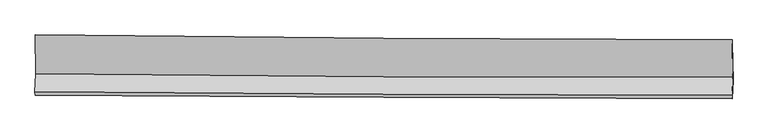
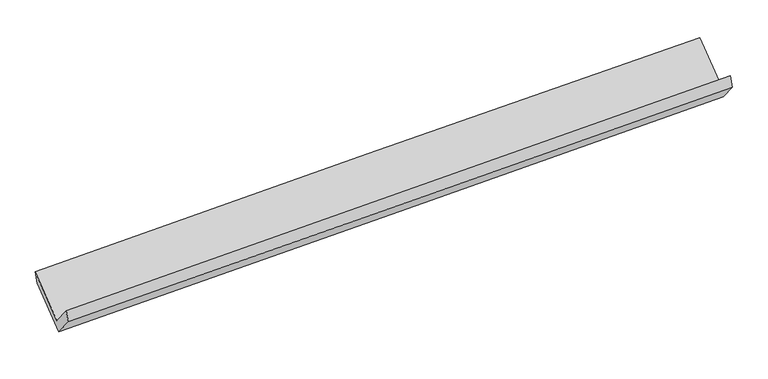
"""IFC4 building model written with IfcOpenShell, lengths in millimetres: proxy geometry."""

from ifc_helpers import new_model, si_unit, frame, origin, place, context, project, spatial, source, transform, mapped, element, save
from ifc_brep_helpers import plane_surface, spline_curve, spline_surface, advanced_brep


def generic_models_d0a009e1(model_context):
    return source(origin(), model_context, "Body", "AdvancedBrep", [
        advanced_brep(
        [(-4778.4106765, -1689.6818881, 1654.1130231), (-4788.8517883, -1939.9137917, 1961.9227776), (4764.6357529, -1988.1923043, 2227.3977911), (4774.9453073, -1741.113308, 1923.4664214), (-4784.9791952, -1984.2884218, 1815.9872187), (4768.508346, -2032.5669344, 2081.4622323), (-4774.627425, -1736.1976808, 1510.811304), (4778.7285588, -1787.6291007, 1780.1647023), (-4783.3589424, -1209.5622753, 1938.639894), (4770.190054, -1272.6351194, 2198.5360206), (-4787.201201, -1159.4875085, 2084.832856), (4766.3477954, -1222.5603526, 2344.7289826)],
        [
            (0, 1),
            (1, 2, spline_curve(3, [(-4788.8517883, -1939.9137917, 1961.9227776), (-3197.706898547, -1952.907370149, 2008.549245486), (-1606.519320678, -1963.426379943, 2053.972027973), (1577.976417199, -1979.525551015, 2142.466780104), (3171.284686285, -1985.099379162, 2185.535668627), (4764.6357529, -1988.1923043, 2227.3977911)], [4, 2, 4], [0.0, 15.668049786452226, 31.356139239098646])),
            (2, 3),
            (3, 0, spline_curve(3, [(4774.9453073, -1741.113308, 1923.4664214), (3181.308989384, -1744.856722511, 1890.013667094), (1587.869162982, -1742.435802105, 1850.823163078), (-1596.582330338, -1725.276257337, 1761.024047815), (-3187.594497731, -1710.55337086, 1710.430085248), (-4778.4106765, -1689.6818881, 1654.1130231)], [4, 2, 4], [0.0, 15.68808945264642, 31.356139239098646])),
            (1, 4),
            (4, 5, spline_curve(3, [(-4784.9791952, -1984.2884218, 1815.9872187), (-3193.834305246, -1997.281999981, 1862.613686414), (-1602.646727449, -2007.801009914, 1908.036468785), (1581.849010169, -2023.900181245, 1996.531221492), (3175.157279847, -2029.474009232, 2039.600109588), (4768.508346, -2032.5669344, 2081.4622323)], [4, 2, 4], [0.0, 15.667989006023225, 31.35601760050158])),
            (5, 2),
            (4, 6),
            (6, 7, spline_curve(3, [(-4774.627425, -1736.1976808, 1510.811304), (-3183.811246231, -1757.06916356, 1567.128366148), (-1592.799078838, -1771.792050037, 1617.722328715), (1591.652414482, -1788.951594805, 1707.521443978), (3185.092240884, -1791.372515211, 1746.711947994), (4778.7285588, -1787.6291007, 1780.1647023)], [4, 2, 4], [0.0, 15.668049786452222, 31.35613923909864])),
            (7, 5),
            (6, 8),
            (8, 9, spline_curve(3, [(-4783.3589424, -1209.5622753, 1938.639894), (-3192.574871269, -1228.497237707, 1996.530148608), (-1601.562703131, -1243.220123989, 2047.124111122), (1582.95304504, -1264.255186691, 2133.774829435), (3176.457209358, -1270.556581972, 2169.812909331), (4770.190054, -1272.6351194, 2198.5360206)], [4, 2, 4], [0.0, 15.668159938481502, 31.356359684043266])),
            (9, 7),
            (8, 10),
            (10, 11, spline_curve(3, [(-4787.201201, -1159.4875085, 2084.832856), (-3196.417129438, -1178.42247109, 2142.723110872), (-1605.404961959, -1193.145357151, 2193.317073138), (1579.110786668, -1214.180419929, 2279.967791419), (3172.614950733, -1220.481815287, 2316.005871119), (4766.3477954, -1222.5603526, 2344.7289826)], [4, 2, 4], [0.0, 15.668170894373487, 31.356381609839982])),
            (11, 9),
            (10, 0),
            (3, 11),
        ],
        [
            spline_surface(3, 3, [[(-4778.4106765, -1689.6818881, 1654.1130231), (-3187.594497978, -1710.553371118, 1710.430085416), (-1596.582330145, -1725.27625724, 1761.024047787), (1587.869162789, -1742.435802202, 1850.823163106), (3181.308989553, -1744.856722757, 1890.013666837), (4774.9453073, -1741.113308, 1923.4664214)], [(-4781.891047104, -1773.092522624, 1756.716274603), (-3190.965298108, -1791.338037367, 1809.803138696), (-1599.894660322, -1804.659631378, 1858.673374497), (1584.571580901, -1821.46571855, 1948.037702111), (3177.9675552, -1824.937608189, 1988.521000769), (4771.508789161, -1823.472973441, 2024.776877976)], [(-4785.371417696, -1856.503157176, 1859.319526097), (-3194.336098225, -1872.122703642, 1909.176191966), (-1603.206990463, -1884.043005545, 1956.322701227), (1581.273999049, -1900.495634928, 2045.252241135), (3174.626120865, -1905.018493599, 2087.028334674), (4768.072271039, -1905.832638859, 2126.087334524)], [(-4788.8517883, -1939.9137917, 1961.9227776), (-3197.706898355, -1952.907369891, 2008.549245246), (-1606.51932064, -1963.426379682, 2053.972027937), (1577.97641716, -1979.525551277, 2142.466780139), (3171.284686512, -1985.099379031, 2185.535668606), (4764.6357529, -1988.1923043, 2227.3977911)]], [4, 4], [4, 2, 4], [0.0, 1.2363046141011584], [0.0, 15.668049786452226, 31.356139239098646]),
            spline_surface(3, 3, [[(-4788.8517883, -1939.9137917, 1961.9227776), (-3197.706898355, -1952.907369891, 2008.549245246), (-1606.51932064, -1963.426379682, 2053.972027937), (1577.97641716, -1979.525551277, 2142.466780139), (3171.284686512, -1985.099379031, 2185.535668606), (4764.6357529, -1988.1923043, 2227.3977911)], [(-4787.560923939, -1954.705335072, 1913.277591305), (-3196.416033994, -1967.698913263, 1959.904058951), (-1605.228456279, -1978.217923054, 2005.326841642), (1579.267281521, -1994.317094648, 2093.821593844), (3172.575550873, -1999.890922402, 2136.89048231), (4765.926617261, -2002.983847672, 2178.752604805)], [(-4786.270059561, -1969.496878428, 1864.632404995), (-3195.125169616, -1982.490456619, 1911.258872642), (-1603.9375919, -1993.00946641, 1956.681655333), (1580.5581459, -2009.108638005, 2045.176407535), (3173.866415252, -2014.682465759, 2088.245296101), (4767.217481639, -2017.775391028, 2130.107418595)], [(-4784.9791952, -1984.2884218, 1815.9872187), (-3193.834305255, -1997.281999991, 1862.613686346), (-1602.64672754, -2007.801009782, 1908.036469037), (1581.84901026, -2023.900181377, 1996.531221239), (3175.157279612, -2029.474009131, 2039.600109806), (4768.508346, -2032.5669344, 2081.4622323)]], [4, 4], [4, 2, 4], [0.0, 0.5005973859218893], [0.0, 15.667989006023225, 31.35601760050158]),
            spline_surface(3, 3, [[(-4784.9791952, -1984.2884218, 1815.9872187), (-3193.834305255, -1997.281999991, 1862.613686346), (-1602.64672754, -2007.801009782, 1908.036469037), (1581.84901026, -2023.900181377, 1996.531221239), (3175.157279612, -2029.474009131, 2039.600109806), (4768.508346, -2032.5669344, 2081.4622323)], [(-4781.528605129, -1901.591508141, 1714.261913779), (-3190.493285658, -1917.211054608, 1764.118579648), (-1599.364177896, -1929.13135651, 1811.265088909), (1585.116811616, -1945.583985894, 1900.194628817), (3178.468933433, -1950.106844564, 1941.970722455), (4771.915083607, -1950.920989825, 1981.029722306)], [(-4778.078015071, -1818.894594459, 1612.536608921), (-3187.152266075, -1837.140109202, 1665.623473014), (-1596.08162829, -1850.461703212, 1714.493708815), (1588.384612934, -1867.267790385, 1803.858036429), (3181.780587233, -1870.739680024, 1844.341335087), (4775.321821193, -1869.275045275, 1880.597212294)], [(-4774.627425, -1736.1976808, 1510.811304), (-3183.811246478, -1757.069163818, 1567.128366316), (-1592.799078645, -1771.79204994, 1617.722328687), (1591.652414289, -1788.951594902, 1707.521444006), (3185.092241053, -1791.372515457, 1746.711947737), (4778.7285588, -1787.6291007, 1780.1647023)]], [4, 4], [4, 2, 4], [0.0, 1.225164401103455], [0.0, 15.668049786452222, 31.35613923909864]),
            spline_surface(3, 3, [[(-4774.627425, -1736.1976808, 1510.811304), (-3183.811246478, -1757.069163818, 1567.128366316), (-1592.799078645, -1771.79204994, 1617.722328687), (1591.652414289, -1788.951594902, 1707.521444006), (3185.092241053, -1791.372515457, 1746.711947737), (4778.7285588, -1787.6291007, 1780.1647023)], [(-4777.537930814, -1560.652545629, 1653.420834001), (-3186.732454676, -1580.878521804, 1710.262293802), (-1595.720286844, -1595.601407926, 1760.856256174), (1588.752624547, -1614.052792187, 1849.605905809), (3182.213897162, -1617.767204324, 1887.745601573), (4775.882390538, -1615.964440273, 1919.621808402)], [(-4780.448436586, -1385.107410471, 1796.030363999), (-3189.653662832, -1404.687879802, 1853.396221287), (-1598.641494999, -1419.410765924, 1903.990183658), (1585.852834848, -1439.153989485, 1991.690367609), (3179.335553257, -1444.161893171, 2028.779255404), (4773.036222262, -1444.299779827, 2059.078914498)], [(-4783.3589424, -1209.5622753, 1938.639894), (-3192.57487103, -1228.497237787, 1996.530148774), (-1601.562703197, -1243.220123909, 2047.124111145), (1582.953045106, -1264.255186771, 2133.774829412), (3176.457209366, -1270.556582038, 2169.81290924), (4770.190054, -1272.6351194, 2198.5360206)]], [4, 4], [4, 2, 4], [0.0, 2.2262665852097987], [0.0, 15.668159938481502, 31.356359684043266]),
            spline_surface(3, 3, [[(-4783.3589424, -1209.5622753, 1938.639894), (-3192.57487103, -1228.497237787, 1996.530148774), (-1601.562703197, -1243.220123909, 2047.124111145), (1582.953045106, -1264.255186771, 2133.774829412), (3176.457209366, -1270.556582038, 2169.81290924), (4770.190054, -1272.6351194, 2198.5360206)], [(-4784.639695272, -1192.870686359, 1987.370881346), (-3193.855623902, -1211.805648847, 2045.26113612), (-1602.843456069, -1226.528534969, 2095.855098491), (1581.672292234, -1247.56359783, 2182.505816758), (3175.176456494, -1253.864993097, 2218.543896587), (4768.909301128, -1255.943530459, 2247.267007946)], [(-4785.920448128, -1176.179097441, 2036.101868654), (-3195.136376758, -1195.114059928, 2093.992123428), (-1604.124208925, -1209.83694605, 2144.586085799), (1580.391539378, -1230.872008911, 2231.236804066), (3173.895703638, -1237.173404178, 2267.274883894), (4767.628548272, -1239.251941541, 2295.997995254)], [(-4787.201201, -1159.4875085, 2084.832856), (-3196.41712963, -1178.422470987, 2142.723110774), (-1605.404961797, -1193.145357109, 2193.317073145), (1579.110786506, -1214.180419971, 2279.967791412), (3172.614950766, -1220.481815238, 2316.00587124), (4766.3477954, -1222.5603526, 2344.7289826)]], [4, 4], [4, 2, 4], [0.0, 0.5071485270447372], [0.0, 15.668170894373487, 31.356381609839982]),
            spline_surface(3, 3, [[(-4787.201201, -1159.4875085, 2084.832856), (-3196.41712963, -1178.422470987, 2142.723110774), (-1605.404961797, -1193.145357109, 2193.317073145), (1579.110786506, -1214.180419971, 2279.967791412), (3172.614950766, -1220.481815238, 2316.00587124), (4766.3477954, -1222.5603526, 2344.7289826)], [(-4784.271026142, -1336.218968374, 1941.259578367), (-3193.476252388, -1355.799437705, 1998.625435655), (-1602.464084555, -1370.522323827, 2049.219398026), (1582.030245292, -1390.265547389, 2136.919581977), (3175.512963701, -1395.273451074, 2174.008469772), (4769.213632706, -1395.41133773, 2204.308128866)], [(-4781.340851358, -1512.950428226, 1797.686300733), (-3190.53537522, -1533.1764044, 1854.527760535), (-1599.523207387, -1547.899290522, 1905.121722906), (1584.949704004, -1566.350674784, 1993.871372541), (3178.410976618, -1570.065086921, 2032.011068306), (4772.079469994, -1568.26232287, 2063.887275134)], [(-4778.4106765, -1689.6818881, 1654.1130231), (-3187.594497978, -1710.553371118, 1710.430085416), (-1596.582330145, -1725.27625724, 1761.024047787), (1587.869162789, -1742.435802202, 1850.823163106), (3181.308989553, -1744.856722757, 1890.013666837), (4774.9453073, -1741.113308, 1923.4664214)]], [4, 4], [4, 2, 4], [0.0, 2.241311682801735], [0.0, 15.6681599384815, 31.356359684043262]),
            plane_surface(frame((4770.5593024, -1674.1161865, 2092.626025), z_axis=(0.9995709745975128, -0.006607955579559401, 0.028534219197958764), x_axis=(-0.024856298857641842, 0.32394315266937523, 0.9457499660299891))),
            plane_surface(frame((-4782.9048714, -1619.855261, 1827.7178456), z_axis=(-0.9995709745975131, 0.006607955579555479, -0.02853421919795367), x_axis=(-0.012867510448821385, 0.7760949488489229, 0.6304847797893597))),
        ],
        [
            (0, [[1, 2, 3, 4]]),
            (1, [[5, 6, 7, -2]]),
            (2, [[8, 9, 10, -6]]),
            (3, [[11, 12, 13, -9]]),
            (4, [[14, 15, 16, -12]]),
            (5, [[17, -4, 18, -15]]),
            (6, [[-16, -18, -3, -7, -10, -13]]),
            (7, [[-17, -14, -11, -8, -5, -1]]),
        ],
    ),
    ])


if __name__ == "__main__":
    model = new_model("IFC4")
    model_context = context("Model", 3, world=origin())
    ifc_project = project(units=[si_unit("LENGTHUNIT", "METRE", prefix="MILLI")], contexts=[model_context])
    site = spatial("IfcSite", under=ifc_project)
    building = spatial("IfcBuilding", under=site)
    placement = place(None, origin())
    generic_models_shape = generic_models_d0a009e1(model_context)
    element("IfcBuildingElementProxy", 1, Name="Generic Models", at=placement, inside=building, context=model_context, shape_type="MappedRepresentation", body=[
        mapped(generic_models_shape, transform((0.0, 0.0, 0.0), x_axis=(1.0, 0.0, 0.0), y_axis=(0.0, 1.0, 0.0), z_axis=(0.0, 0.0, 1.0))),
    ])
    save(model, "model.ifc")
